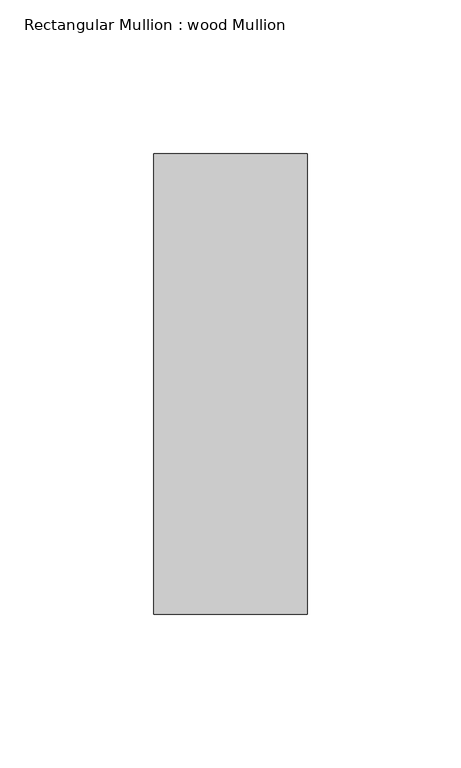
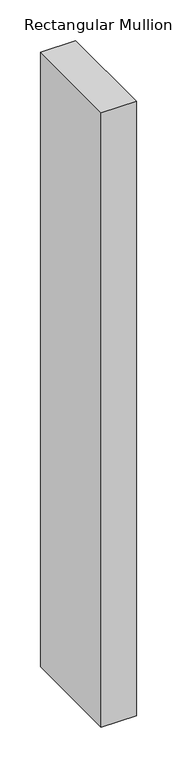
"""IFC4 building model written with IfcOpenShell, lengths in millimetres: member geometry, Rectangular Mullion : wood Mullion."""

import ifcopenshell
import ifcopenshell.guid

model = None  # the IFC model being written
_history = None  # IfcOwnerHistory: only IFC2X3 demands one
_inside = {}  # id of a spatial element -> (the spatial element, [elements in it])
_under = {}  # id of a project, library or spatial element -> (it, [spatial elements below it])
_declared = {}  # id of a project -> (the project, [libraries it declares])
_typed = {}  # id of a type object -> (the type object, [elements of that type])
_made_of = {}  # id of a material, layer set ... -> (it, [elements and type objects made of it])


def new_model(schema):
    """Start an empty IFC model of exactly this schema.

    Asked for "IFC4X3", IfcOpenShell would pick the latest addendum, in which some entities
    have other attributes; the version numbers below select the first issue.
    IFC2X3 requires an IfcOwnerHistory on every rooted entity: one is made here for all.
    """
    global model, _history
    if schema == "IFC4X3":
        model = ifcopenshell.file(schema_version=(4, 3, 0, 0))
    else:
        model = ifcopenshell.file(schema=schema)
    _inside.clear()
    _under.clear()
    _declared.clear()
    _typed.clear()
    _made_of.clear()
    _history = None
    if model.schema == "IFC2X3":
        org = make("IfcOrganization", Name="unknown")
        user = make(
            "IfcPersonAndOrganization",
            ThePerson=make("IfcPerson", FamilyName="unknown"),
            TheOrganization=org,
        )
        app = make(
            "IfcApplication",
            ApplicationDeveloper=org,
            Version="unknown",
            ApplicationFullName="unknown",
            ApplicationIdentifier="unknown",
        )
        _history = make(
            "IfcOwnerHistory",
            OwningUser=user,
            OwningApplication=app,
            ChangeAction="ADDED",
            CreationDate=0,
        )
    return model


def make(cls, **values):
    """One entity of the class cls with the attributes given. An attribute that is None is left unset."""
    return model.create_entity(
        cls, **{name: value for name, value in values.items() if value is not None}
    )


def rooted(cls, **values):
    """An entity with a GlobalId (a new one), such as an element, a storey or a relation."""
    return make(cls, GlobalId=ifcopenshell.guid.new(), OwnerHistory=_history, **values)


def si_unit(unit_type, name, prefix=None):
    """IfcSIUnit, for example si_unit("LENGTHUNIT", "METRE", prefix="MILLI")."""
    return make("IfcSIUnit", UnitType=unit_type, Prefix=prefix, Name=name)


def assignment(units):
    """IfcUnitAssignment: the units of a project."""
    return None if units is None else make("IfcUnitAssignment", Units=units)


def point(xyz):
    """IfcCartesianPoint."""
    return None if xyz is None else make("IfcCartesianPoint", Coordinates=xyz)


def direction(xyz):
    """IfcDirection."""
    return None if xyz is None else make("IfcDirection", DirectionRatios=xyz)


def frame(location, z_axis=None, x_axis=None):
    """IfcAxis2Placement3D, a coordinate frame: its origin and axes. An axis left out is left unset."""
    return make(
        "IfcAxis2Placement3D",
        Location=point(location),
        Axis=direction(z_axis),
        RefDirection=direction(x_axis),
    )


def origin():
    """The frame at (0, 0, 0) with its axes left unset."""
    return frame((0.0, 0.0, 0.0))


def place(relative_to, where):
    """IfcLocalPlacement: puts the frame where relative to a parent placement (None: the world)."""
    return make(
        "IfcLocalPlacement", PlacementRelTo=relative_to, RelativePlacement=where
    )


def context(
    kind, dimensions, precision=None, world=None, true_north=None, identifier=None
):
    """IfcGeometricRepresentationContext, for example the 3D "Model" context."""
    return make(
        "IfcGeometricRepresentationContext",
        ContextIdentifier=identifier,
        ContextType=kind,
        CoordinateSpaceDimension=dimensions,
        Precision=precision,
        WorldCoordinateSystem=world,
        TrueNorth=true_north,
    )


def project(units=None, contexts=None):
    """IfcProject with its units and contexts."""
    return rooted(
        "IfcProject",
        Name="project",
        RepresentationContexts=contexts,
        UnitsInContext=assignment(units),
    )


def spatial(cls, under=None, at=None, **own):
    """A site, building, storey or space (cls), placed at a placement, below another one or the project."""
    s = rooted(cls, ObjectPlacement=at, **own)
    if under is not None:
        _under.setdefault(under.id(), (under, []))[1].append(s)
    return s


def polyline(points):
    """IfcPolyline through the points."""
    return make("IfcPolyline", Points=[point(p) for p in points])


def outline(outer, holes=None, kind="AREA"):
    """IfcArbitraryClosedProfileDef: a profile drawn as a closed curve; with holes, ...WithVoids."""
    if holes is None:
        return make("IfcArbitraryClosedProfileDef", ProfileType=kind, OuterCurve=outer)
    return make(
        "IfcArbitraryProfileDefWithVoids",
        ProfileType=kind,
        OuterCurve=outer,
        InnerCurves=holes,
    )


def extrude(swept, where, along, depth):
    """IfcExtrudedAreaSolid: the profile swept, set in the frame where, extruded along a direction by depth."""
    return make(
        "IfcExtrudedAreaSolid",
        SweptArea=swept,
        Position=where,
        ExtrudedDirection=direction(along),
        Depth=depth,
    )


def shape(context_of_items, identifier, shape_type, items):
    """IfcShapeRepresentation: the items that make up one representation, for example the "Body"."""
    return make(
        "IfcShapeRepresentation",
        ContextOfItems=context_of_items,
        RepresentationIdentifier=identifier,
        RepresentationType=shape_type,
        Items=items,
    )


def source(mapping_origin, context_of_items, identifier, shape_type, items):
    """IfcRepresentationMap: a shape defined once, which mapped items show again and again."""
    return make(
        "IfcRepresentationMap",
        MappingOrigin=mapping_origin,
        MappedRepresentation=shape(context_of_items, identifier, shape_type, items),
    )


def transform(
    local_origin,
    x_axis=None,
    y_axis=None,
    z_axis=None,
    scale=None,
    scale2=None,
    scale3=None,
    uniform=True,
):
    """IfcCartesianTransformationOperator3D, or its non-uniform kind. x_axis, y_axis, z_axis: its Axis1, 2, 3."""
    if uniform:
        return make(
            "IfcCartesianTransformationOperator3D",
            Axis1=direction(x_axis),
            Axis2=direction(y_axis),
            LocalOrigin=point(local_origin),
            Scale=scale,
            Axis3=direction(z_axis),
        )
    return make(
        "IfcCartesianTransformationOperator3DnonUniform",
        Axis1=direction(x_axis),
        Axis2=direction(y_axis),
        LocalOrigin=point(local_origin),
        Scale=scale,
        Axis3=direction(z_axis),
        Scale2=scale2,
        Scale3=scale3,
    )


def mapped(mapping_source, mapping_target):
    """IfcMappedItem: shows the shape of a source again, moved by a transform."""
    return make(
        "IfcMappedItem", MappingSource=mapping_source, MappingTarget=mapping_target
    )


def made_of(thing, what):
    """Note that an element or type object is made of a material, layer set ...; save() writes the relation."""
    if what is not None:
        _made_of.setdefault(what.id(), (what, []))[1].append(thing)
    return thing


def element(
    cls,
    number,
    at=None,
    inside=None,
    cuts=None,
    type_object=None,
    material=None,
    context=None,
    identifier="Body",
    shape_type=None,
    held_by="IfcProductDefinitionShape",
    body=None,
    shapes=None,
    **own,
):
    """One element of the class cls, such as IfcWall. Its Tag is "e" and its number.

    at: its placement. inside: the storey or other place that contains it. cuts: it is an
    opening in that element (IfcRelVoidsElement). A single representation is given by context,
    identifier, shape_type and body (its items); several are given by shapes. held_by: the class
    of the entity that holds the representations. save() writes the other relations.
    """
    e = rooted(cls, Tag="e%d" % number, ObjectPlacement=at, **own)
    if body is not None:
        shapes = [shape(context, identifier, shape_type, body)]
    if shapes is not None:
        e.Representation = make(held_by, Representations=shapes)
    if inside is not None:
        _inside.setdefault(inside.id(), (inside, []))[1].append(e)
    if cuts is not None:
        rooted(
            "IfcRelVoidsElement", RelatingBuildingElement=cuts, RelatedOpeningElement=e
        )
    if type_object is not None:
        _typed.setdefault(type_object.id(), (type_object, []))[1].append(e)
    return made_of(e, material)


def aggregate(whole, parts):
    """IfcRelAggregates: a whole, such as a stair, and the parts it consists of."""
    return rooted("IfcRelAggregates", RelatingObject=whole, RelatedObjects=parts)


def save(model, path):
    """Write the relations noted so far, then the file.

    IfcRelAggregates (storeys below a building ...), IfcRelContainedInSpatialStructure (elements
    in a storey), IfcRelDefinesByType, IfcRelAssociatesMaterial and IfcRelDeclares: one each for
    every whole, place, type object, material and project.
    """
    for whole, parts in _under.values():
        aggregate(whole, parts)
    for where, things in _inside.values():
        rooted(
            "IfcRelContainedInSpatialStructure",
            RelatedElements=things,
            RelatingStructure=where,
        )
    for kind, things in _typed.values():
        rooted("IfcRelDefinesByType", RelatedObjects=things, RelatingType=kind)
    for what, things in _made_of.values():
        rooted("IfcRelAssociatesMaterial", RelatedObjects=things, RelatingMaterial=what)
    for by, libraries in _declared.values():
        rooted("IfcRelDeclares", RelatingContext=by, RelatedDefinitions=libraries)
    model.write(path)


def rectangular_mullion_wood_mullion_a91aaa2b(model_context):
    return source(origin(), model_context, "Body", "SweptSolid", [
        extrude(outline(polyline([(0.0, 75.0), (0.0, -75.0), (-50.0, -75.0), (-50.0, 75.0), (0.0, 75.0)])), frame((0.0, 0.0, -925.0), z_axis=(0.0, 0.0, 1.0), x_axis=(1.0, 0.0, 0.0)), (0.0, 0.0, 1.0), 925.0),
    ])


if __name__ == "__main__":
    model = new_model("IFC4")
    model_context = context("Model", 3, world=origin())
    ifc_project = project(units=[si_unit("LENGTHUNIT", "METRE", prefix="MILLI")], contexts=[model_context])
    site = spatial("IfcSite", under=ifc_project)
    building = spatial("IfcBuilding", under=site)
    placement = place(None, origin())
    rectangular_mullion_wood_mullion_shape = rectangular_mullion_wood_mullion_a91aaa2b(model_context)
    element("IfcMember", 1, ObjectType="Rectangular Mullion : wood Mullion", at=placement, inside=building, context=model_context, shape_type="MappedRepresentation", body=[
        mapped(rectangular_mullion_wood_mullion_shape, transform((0.0, 0.0, 0.0), x_axis=(1.0, 0.0, 0.0), y_axis=(0.0, 1.0, 0.0), z_axis=(0.0, 0.0, 1.0))),
    ])
    save(model, "model.ifc")
